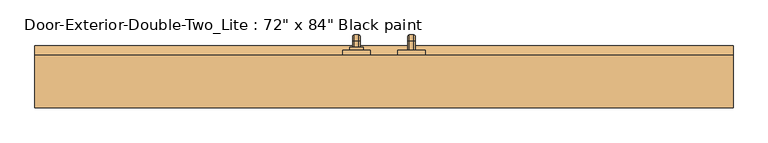
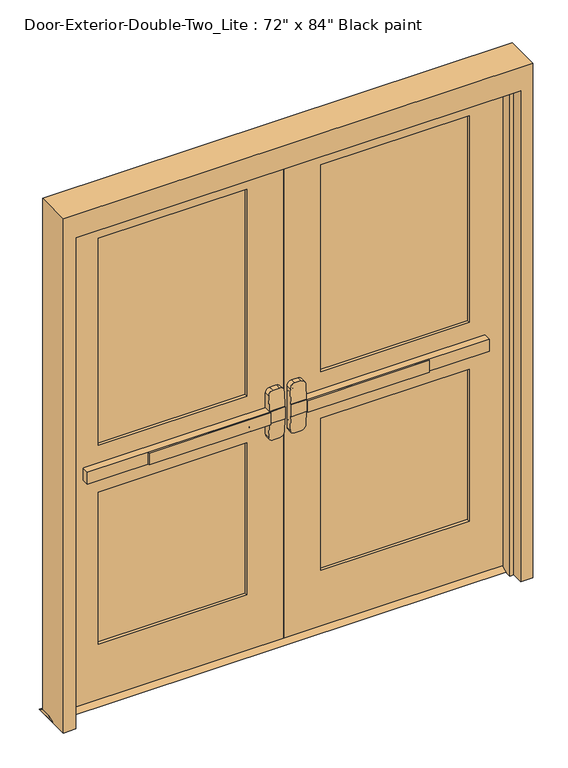
"""IFC4 building model written with IfcOpenShell, lengths in millimetres: door geometry."""

from ifc_helpers import new_model, si_unit, point, frame, frame_2d, origin, place, context, project, spatial, polyline, circle_curve, ellipse_curve, trimmed, segment, composite_curve, outline, extrude, faceted_brep, source, transform, mapped, element, save
from ifc_brep_helpers import plane_surface, cylinder_surface, revolved_surface, advanced_brep


def door_abf726bf(model_context):
    return source(origin(), model_context, "Body", "SolidModel", [
        extrude(outline(polyline([(-575.7333333, 50.8), (-575.7333333, 57.15), (-76.2, 57.15), (-76.2, 50.8), (-575.7333333, 50.8)])), frame((0.0, 0.0, 990.6), z_axis=(0.0, 0.0, 1.0), x_axis=(1.0, 0.0, 0.0)), (0.0, 0.0, 1.0), 50.8),
        advanced_brep(
        [(-12.7, 57.15, 1041.4), (-76.2, 57.15, 1041.4), (-825.5, 57.15, 1041.4), (-825.5, 57.15, 990.6), (-76.2, 57.15, 990.6), (-12.7, 57.15, 990.6), (-825.5, 88.9, 1041.4), (-76.2, 88.9, 1041.4), (-76.2, 88.9, 1104.9), (-57.15, 88.9, 1123.95), (-31.75, 88.9, 1123.95), (-12.7, 88.9, 1104.9), (-12.7, 88.9, 927.1), (-31.75, 88.9, 908.05), (-57.15, 88.9, 908.05), (-76.2, 88.9, 927.1), (-76.2, 88.9, 990.6), (-825.5, 88.9, 990.6), (-12.7, 60.3252467, 1041.4), (-76.2, 60.3252467, 1041.4), (-12.7, 60.3252467, 990.6), (-12.7, 65.3354269, 927.1), (-12.7, 65.3354269, 1104.9), (-76.2, 60.3252467, 990.6), (-76.2, 65.3354269, 1104.9), (-76.2, 65.3354269, 927.1), (-57.15, 66.838481, 1123.95), (-31.75, 66.838481, 1123.95), (-31.75, 66.838481, 908.05), (-57.15, 66.838481, 908.05)],
        [
            (0, 1),
            (1, 2),
            (2, 3),
            (3, 4),
            (4, 5),
            (5, 0),
            (6, 7),
            (7, 8),
            (8, 9, circle_curve(frame((-57.15, 88.9, 1104.9), z_axis=(0.0, 1.0, 0.0), x_axis=(-1.0, 0.0, 0.0)), 19.05)),
            (9, 10),
            (10, 11, circle_curve(frame((-31.75, 88.9, 1104.9), z_axis=(0.0, 1.0, 0.0), x_axis=(-1.0, 0.0, 0.0)), 19.05)),
            (11, 12),
            (12, 13, circle_curve(frame((-31.75, 88.9, 927.1), z_axis=(0.0, 1.0, 0.0), x_axis=(-1.0, 0.0, 0.0)), 19.05)),
            (13, 14),
            (14, 15, circle_curve(frame((-57.15, 88.9, 927.1), z_axis=(0.0, 1.0, 0.0), x_axis=(-1.0, 0.0, 0.0)), 19.05)),
            (15, 16),
            (16, 17),
            (17, 6),
            (0, 18),
            (18, 19),
            (19, 7),
            (6, 2),
            (5, 20),
            (20, 21),
            (21, 12),
            (11, 22),
            (22, 18),
            (16, 23),
            (23, 20),
            (3, 17),
            (19, 24),
            (24, 8),
            (15, 25),
            (25, 23),
            (9, 26),
            (26, 27),
            (27, 10),
            (13, 28),
            (28, 29),
            (29, 14),
            (29, 25, ellipse_curve(frame((-57.15, 65.3354269, 927.1), z_axis=(0.0, 0.9969018152893365, 0.07865602756830282), x_axis=(0.0, -0.07865602756830208, 0.9969018152893365)), 19.1092038, 19.05)),
            (24, 26, ellipse_curve(frame((-57.15, 65.3354269, 1104.9), z_axis=(0.0, 0.9969018152893376, -0.07865602756828934), x_axis=(0.0, -0.078656027568288, -0.9969018152893377)), 19.1092038, 19.05)),
            (27, 22, ellipse_curve(frame((-31.75, 65.3354269, 1104.9), z_axis=(0.0, 0.9969018152893376, -0.07865602756828934), x_axis=(0.0, -0.078656027568288, -0.9969018152893377)), 19.1092038, 19.05)),
            (21, 28, ellipse_curve(frame((-31.75, 65.3354269, 927.1), z_axis=(0.0, 0.9969018152893365, 0.07865602756830282), x_axis=(0.0, -0.07865602756830208, 0.9969018152893365)), 19.1092038, 19.05)),
        ],
        [
            plane_surface(frame((-12.7, 57.15, 1041.4), z_axis=(0.0, -1.0, 0.0), x_axis=(1.0, 0.0, 0.0))),
            plane_surface(frame((-12.7, 88.9, 1041.4), z_axis=(0.0, 1.0, 0.0), x_axis=(-1.0, 0.0, 0.0))),
            plane_surface(frame((-825.5, 57.15, 1041.4), z_axis=(0.0, 0.0, 1.0), x_axis=(0.0, 1.0, 0.0))),
            plane_surface(frame((-12.7, 57.15, 1041.4), z_axis=(1.0, 0.0, 0.0), x_axis=(0.0, 1.0, 0.0))),
            plane_surface(frame((-12.7, 57.15, 990.6), z_axis=(0.0, 0.0, -1.0), x_axis=(0.0, 1.0, 0.0))),
            plane_surface(frame((-825.5, 57.15, 990.6), z_axis=(-1.0, 0.0, 0.0), x_axis=(0.0, 1.0, 0.0))),
            plane_surface(frame((-76.2, 60.3252467, 927.1), z_axis=(-1.0, 0.0, 0.0), x_axis=(0.0, 1.0, 0.0))),
            plane_surface(frame((-57.15, 60.3252467, 1123.95), z_axis=(0.0, 0.0, 1.0), x_axis=(0.0, 1.0, 0.0))),
            plane_surface(frame((-31.75, 60.3252467, 908.05), z_axis=(0.0, 0.0, -1.0), x_axis=(0.0, 1.0, 0.0))),
            cylinder_surface(frame((-57.15, 88.9, 927.1), z_axis=(0.0, -1.0, 0.0), x_axis=(-1.0, 0.0, 0.0)), 19.05),
            cylinder_surface(frame((-57.15, 88.9, 1104.9), z_axis=(0.0, -1.0, 0.0), x_axis=(-1.0, 0.0, 0.0)), 19.05),
            cylinder_surface(frame((-31.75, 88.9, 1104.9), z_axis=(0.0, -1.0, 0.0), x_axis=(-1.0, 0.0, 0.0)), 19.05),
            cylinder_surface(frame((-31.75, 88.9, 927.1), z_axis=(0.0, -1.0, 0.0), x_axis=(-1.0, 0.0, 0.0)), 19.05),
            plane_surface(frame((-76.2, 60.3252467, 1041.4), z_axis=(0.0, -0.9969018152893376, 0.07865602756828934), x_axis=(1.0, 0.0, 0.0))),
            plane_surface(frame((-76.2, 66.838481, 908.05), z_axis=(0.0, -0.9969018152893365, -0.07865602756830282), x_axis=(1.0, 0.0, 0.0))),
        ],
        [
            (0, [[1, 2, 3, 4, 5, 6]]),
            (1, [[7, 8, 9, 10, 11, 12, 13, 14, 15, 16, 17, 18]]),
            (2, [[-2, -1, 19, 20, 21, -7, 22]]),
            (3, [[23, 24, 25, -12, 26, 27, -19, -6]]),
            (4, [[-17, 28, 29, -23, -5, -4, 30]]),
            (5, [[-22, -18, -30, -3]]),
            (6, [[-21, 31, 32, -8]]),
            (6, [[33, 34, -28, -16]]),
            (7, [[35, 36, 37, -10]]),
            (8, [[38, 39, 40, -14]]),
            (9, [[-40, 41, -33, -15]]),
            (10, [[-32, 42, -35, -9]]),
            (11, [[-37, 43, -26, -11]]),
            (12, [[-25, 44, -38, -13]]),
            (13, [[-27, -43, -36, -42, -31, -20]]),
            (14, [[-29, -34, -41, -39, -44, -24]]),
        ],
    ),
        extrude(outline(polyline([(133.35, 12.7), (158.75, 0.0), (63.5, 0.0), (88.9, 12.7), (133.35, 12.7)])), frame((-965.2, 0.0, 0.0), z_axis=(1.0, 0.0, 0.0), x_axis=(0.0, 1.0, 0.0)), (0.0, 0.0, 1.0), 1930.4),
        extrude(outline(polyline([(575.7333333, 50.8), (76.2, 50.8), (76.2, 57.15), (575.7333333, 57.15), (575.7333333, 50.8)])), frame((0.0, 0.0, 990.6), z_axis=(0.0, 0.0, 1.0), x_axis=(1.0, 0.0, 0.0)), (0.0, 0.0, 1.0), 50.8),
        advanced_brep(
        [(12.7, 57.15, 1041.4), (12.7, 57.15, 990.6), (76.2, 57.15, 990.6), (825.5, 57.15, 990.6), (825.5, 57.15, 1041.4), (76.2, 57.15, 1041.4), (825.5, 88.9, 1041.4), (825.5, 88.9, 990.6), (76.2, 88.9, 990.6), (76.2, 88.9, 927.1), (57.15, 88.9, 908.05), (31.75, 88.9, 908.05), (12.7, 88.9, 927.1), (12.7, 88.9, 1104.9), (31.75, 88.9, 1123.95), (57.15, 88.9, 1123.95), (76.2, 88.9, 1104.9), (76.2, 88.9, 1041.4), (76.2, 60.3252467, 1041.4), (12.7, 60.3252467, 1041.4), (12.7, 65.3354269, 1104.9), (12.7, 65.3354269, 927.1), (12.7, 60.3252467, 990.6), (76.2, 60.3252467, 990.6), (76.2, 65.3354269, 927.1), (76.2, 65.3354269, 1104.9), (31.75, 66.838481, 1123.95), (57.15, 66.838481, 1123.95), (57.15, 66.838481, 908.05), (31.75, 66.838481, 908.05)],
        [
            (0, 1),
            (1, 2),
            (2, 3),
            (3, 4),
            (4, 5),
            (5, 0),
            (6, 7),
            (7, 8),
            (8, 9),
            (9, 10, circle_curve(frame((57.15, 88.9, 927.1), z_axis=(0.0, 1.0, 0.0), x_axis=(1.0, 0.0, 0.0)), 19.05)),
            (10, 11),
            (11, 12, circle_curve(frame((31.75, 88.9, 927.1), z_axis=(0.0, 1.0, 0.0), x_axis=(1.0, 0.0, 0.0)), 19.05)),
            (12, 13),
            (13, 14, circle_curve(frame((31.75, 88.9, 1104.9), z_axis=(0.0, 1.0, 0.0), x_axis=(1.0, 0.0, 0.0)), 19.05)),
            (14, 15),
            (15, 16, circle_curve(frame((57.15, 88.9, 1104.9), z_axis=(0.0, 1.0, 0.0), x_axis=(1.0, 0.0, 0.0)), 19.05)),
            (16, 17),
            (17, 6),
            (4, 6),
            (17, 18),
            (18, 19),
            (19, 0),
            (19, 20),
            (20, 13),
            (12, 21),
            (21, 22),
            (22, 1),
            (7, 3),
            (22, 23),
            (23, 8),
            (23, 24),
            (24, 9),
            (16, 25),
            (25, 18),
            (14, 26),
            (26, 27),
            (27, 15),
            (10, 28),
            (28, 29),
            (29, 11),
            (24, 28, ellipse_curve(frame((57.15, 65.3354269, 927.1), z_axis=(0.0, 0.9969018152893365, 0.07865602756830282), x_axis=(0.0, -0.07865602756830208, 0.9969018152893365)), 19.1092038, 19.05)),
            (27, 25, ellipse_curve(frame((57.15, 65.3354269, 1104.9), z_axis=(0.0, 0.9969018152893376, -0.07865602756828934), x_axis=(0.0, -0.078656027568288, -0.9969018152893377)), 19.1092038, 19.05)),
            (20, 26, ellipse_curve(frame((31.75, 65.3354269, 1104.9), z_axis=(0.0, 0.9969018152893376, -0.07865602756828934), x_axis=(0.0, -0.078656027568288, -0.9969018152893377)), 19.1092038, 19.05)),
            (29, 21, ellipse_curve(frame((31.75, 65.3354269, 927.1), z_axis=(0.0, 0.9969018152893365, 0.07865602756830282), x_axis=(0.0, -0.07865602756830208, 0.9969018152893365)), 19.1092038, 19.05)),
        ],
        [
            plane_surface(frame((12.7, 57.15, 1041.4), z_axis=(0.0, -1.0, 0.0), x_axis=(-1.0, 0.0, 0.0))),
            plane_surface(frame((12.7, 88.9, 1041.4), z_axis=(0.0, 1.0, 0.0), x_axis=(1.0, 0.0, 0.0))),
            plane_surface(frame((825.5, 57.15, 1041.4), z_axis=(0.0, 0.0, 1.0), x_axis=(0.0, 1.0, 0.0))),
            plane_surface(frame((12.7, 57.15, 1041.4), z_axis=(-1.0, 0.0, 0.0), x_axis=(0.0, 1.0, 0.0))),
            plane_surface(frame((12.7, 57.15, 990.6), z_axis=(0.0, 0.0, -1.0), x_axis=(0.0, 1.0, 0.0))),
            plane_surface(frame((825.5, 57.15, 990.6), z_axis=(1.0, 0.0, 0.0), x_axis=(0.0, 1.0, 0.0))),
            plane_surface(frame((76.2, 60.3252467, 927.1), z_axis=(1.0, 0.0, 0.0), x_axis=(0.0, 1.0, 0.0))),
            plane_surface(frame((57.15, 60.3252467, 1123.95), z_axis=(0.0, 0.0, 1.0), x_axis=(0.0, 1.0, 0.0))),
            plane_surface(frame((31.75, 60.3252467, 908.05), z_axis=(0.0, 0.0, -1.0), x_axis=(0.0, 1.0, 0.0))),
            cylinder_surface(frame((57.15, 88.9, 927.1), z_axis=(0.0, -1.0, 0.0), x_axis=(1.0, 0.0, 0.0)), 19.05),
            cylinder_surface(frame((57.15, 88.9, 1104.9), z_axis=(0.0, -1.0, 0.0), x_axis=(1.0, 0.0, 0.0)), 19.05),
            cylinder_surface(frame((31.75, 88.9, 1104.9), z_axis=(0.0, -1.0, 0.0), x_axis=(1.0, 0.0, 0.0)), 19.05),
            cylinder_surface(frame((31.75, 88.9, 927.1), z_axis=(0.0, -1.0, 0.0), x_axis=(1.0, 0.0, 0.0)), 19.05),
            plane_surface(frame((76.2, 60.3252467, 1041.4), z_axis=(0.0, -0.9969018152893376, 0.07865602756828934), x_axis=(-1.0, 0.0, 0.0))),
            plane_surface(frame((76.2, 66.838481, 908.05), z_axis=(0.0, -0.9969018152893365, -0.07865602756830282), x_axis=(-1.0, 0.0, 0.0))),
        ],
        [
            (0, [[1, 2, 3, 4, 5, 6]]),
            (1, [[7, 8, 9, 10, 11, 12, 13, 14, 15, 16, 17, 18]]),
            (2, [[19, -18, 20, 21, 22, -6, -5]]),
            (3, [[-1, -22, 23, 24, -13, 25, 26, 27]]),
            (4, [[28, -3, -2, -27, 29, 30, -8]]),
            (5, [[-4, -28, -7, -19]]),
            (6, [[-9, -30, 31, 32]]),
            (6, [[-17, 33, 34, -20]]),
            (7, [[-15, 35, 36, 37]]),
            (8, [[-11, 38, 39, 40]]),
            (9, [[-10, -32, 41, -38]]),
            (10, [[-16, -37, 42, -33]]),
            (11, [[-14, -24, 43, -35]]),
            (12, [[-12, -40, 44, -25]]),
            (13, [[-21, -34, -42, -36, -43, -23]]),
            (14, [[-26, -44, -39, -41, -31, -29]]),
        ],
    ),
        advanced_brep(
        [(66.2, 146.05, 1017.190625), (66.2, 146.05, 1014.809375), (69.771875, 146.05, 1011.2375), (82.6284594, 146.05, 1011.2375), (86.2, 146.05, 1014.8090406), (86.2, 146.05, 1017.190625), (82.628125, 146.05, 1020.7625), (69.771875, 146.05, 1020.7625), (66.2, 146.05, 887.809375), (69.771875, 146.05, 884.2375), (82.628125, 146.05, 884.2375), (86.2, 146.05, 887.809375), (86.2, 146.05, 890.1909594), (82.6284594, 146.05, 893.7625), (69.771875, 146.05, 893.7625), (66.2, 146.05, 890.190625), (66.2, 171.45, 1017.190625), (66.2, 185.340625, 1003.3), (66.2, 185.340625, 901.7), (66.2, 171.45, 887.809375), (66.2, 171.45, 890.190625), (66.2, 182.959375, 901.7), (66.2, 182.959375, 1003.3), (66.2, 171.45, 1014.809375), (69.771875, 171.45, 1011.2375), (82.6284594, 171.45, 1011.2375), (86.2, 171.45, 1014.8090406), (86.2, 182.9590406, 1003.3), (86.2, 182.9590406, 901.7), (86.2, 171.45, 890.1909594), (86.2, 171.45, 887.809375), (86.2, 185.340625, 901.7), (86.2, 185.340625, 1003.3), (86.2, 171.45, 1017.190625), (82.628125, 171.45, 1020.7625), (69.771875, 171.45, 1020.7625), (69.771875, 179.3875, 1003.3), (82.6284594, 179.3875, 1003.3), (82.628125, 188.9125, 1003.3), (69.771875, 188.9125, 1003.3), (69.771875, 179.3875, 901.7), (82.6284594, 179.3875, 901.7), (82.628125, 188.9125, 901.7), (69.771875, 188.9125, 901.7), (69.771875, 171.45, 893.7625), (82.6284594, 171.45, 893.7625), (82.628125, 171.45, 884.2375), (69.771875, 171.45, 884.2375)],
        [
            (0, 1),
            (1, 2, circle_curve(frame((69.771875, 146.05, 1014.809375), z_axis=(0.0, -1.0, 0.0), x_axis=(0.0, 0.0, 1.0)), 3.571875)),
            (2, 3),
            (3, 4, circle_curve(frame((82.6284594, 146.05, 1014.8090406), z_axis=(0.0, -1.0, 0.0), x_axis=(0.0, 0.0, 1.0)), 3.5715406)),
            (4, 5),
            (5, 6, circle_curve(frame((82.628125, 146.05, 1017.190625), z_axis=(0.0, -1.0, 0.0), x_axis=(0.0, 0.0, 1.0)), 3.571875)),
            (6, 7),
            (7, 0, circle_curve(frame((69.771875, 146.05, 1017.190625), z_axis=(0.0, -1.0, 0.0), x_axis=(0.0, 0.0, 1.0)), 3.571875)),
            (8, 9, circle_curve(frame((69.771875, 146.05, 887.809375), z_axis=(0.0, -1.0, 0.0), x_axis=(0.0, 0.0, -1.0)), 3.571875)),
            (9, 10),
            (10, 11, circle_curve(frame((82.628125, 146.05, 887.809375), z_axis=(0.0, -1.0, 0.0), x_axis=(0.0, 0.0, -1.0)), 3.571875)),
            (11, 12),
            (12, 13, circle_curve(frame((82.6284594, 146.05, 890.1909594), z_axis=(0.0, -1.0, 0.0), x_axis=(0.0, 0.0, -1.0)), 3.5715406)),
            (13, 14),
            (14, 15, circle_curve(frame((69.771875, 146.05, 890.190625), z_axis=(0.0, -1.0, 0.0), x_axis=(0.0, 0.0, -1.0)), 3.571875)),
            (15, 8),
            (0, 16),
            (16, 17, circle_curve(frame((66.2, 171.45, 1003.3), z_axis=(-1.0, 0.0, 0.0), x_axis=(0.0, 0.0, 1.0)), 13.890625)),
            (17, 18),
            (18, 19, circle_curve(frame((66.2, 171.45, 901.7), z_axis=(-1.0, 0.0, 0.0), x_axis=(0.0, 1.0, 0.0)), 13.890625)),
            (19, 8),
            (15, 20),
            (20, 21, circle_curve(frame((66.2, 171.45, 901.7), z_axis=(1.0, 0.0, 0.0), x_axis=(0.0, 1.0, 0.0)), 11.509375)),
            (21, 22),
            (22, 23, circle_curve(frame((66.2, 171.45, 1003.3), z_axis=(1.0, 0.0, 0.0), x_axis=(0.0, 0.0, 1.0)), 11.509375)),
            (23, 1),
            (23, 24, circle_curve(frame((69.771875, 171.45, 1014.809375), z_axis=(0.0, -1.0, 0.0), x_axis=(0.0, 0.0, 1.0)), 3.571875)),
            (24, 2),
            (24, 25),
            (25, 3),
            (25, 26, circle_curve(frame((82.6284594, 171.45, 1014.8090406), z_axis=(0.0, -1.0, 0.0), x_axis=(0.0, 0.0, 1.0)), 3.5715406)),
            (26, 4),
            (26, 27, circle_curve(frame((86.2, 171.45, 1003.3), z_axis=(-1.0, 0.0, 0.0), x_axis=(0.0, 0.0, 1.0)), 11.5090406)),
            (27, 28),
            (28, 29, circle_curve(frame((86.2, 171.45, 901.7), z_axis=(-1.0, 0.0, 0.0), x_axis=(0.0, 1.0, 0.0)), 11.5090406)),
            (29, 12),
            (11, 30),
            (30, 31, circle_curve(frame((86.2, 171.45, 901.7), z_axis=(1.0, 0.0, 0.0), x_axis=(0.0, 1.0, 0.0)), 13.890625)),
            (31, 32),
            (32, 33, circle_curve(frame((86.2, 171.45, 1003.3), z_axis=(1.0, 0.0, 0.0), x_axis=(0.0, 0.0, 1.0)), 13.890625)),
            (33, 5),
            (33, 34, circle_curve(frame((82.628125, 171.45, 1017.190625), z_axis=(0.0, -1.0, 0.0), x_axis=(0.0, 0.0, 1.0)), 3.571875)),
            (34, 6),
            (34, 35),
            (35, 7),
            (35, 16, circle_curve(frame((69.771875, 171.45, 1017.190625), z_axis=(0.0, -1.0, 0.0), x_axis=(0.0, 0.0, 1.0)), 3.571875)),
            (36, 24, circle_curve(frame((69.771875, 171.45, 1003.3), z_axis=(1.0, 0.0, 0.0), x_axis=(0.0, 0.0, 1.0)), 7.9375)),
            (22, 36, circle_curve(frame((69.771875, 182.959375, 1003.3), z_axis=(0.0, 0.0, 1.0), x_axis=(0.0, 1.0, 0.0)), 3.571875)),
            (37, 25, circle_curve(frame((82.6284594, 171.45, 1003.3), z_axis=(1.0, 0.0, 0.0), x_axis=(0.0, 0.0, 1.0)), 7.9375)),
            (36, 37),
            (37, 27, circle_curve(frame((82.6284594, 182.9590406, 1003.3), z_axis=(0.0, 0.0, 1.0), x_axis=(0.0, 1.0, 0.0)), 3.5715406)),
            (38, 34, circle_curve(frame((82.628125, 171.45, 1003.3), z_axis=(1.0, 0.0, 0.0), x_axis=(0.0, 0.0, 1.0)), 17.4625)),
            (32, 38, circle_curve(frame((82.628125, 185.340625, 1003.3), z_axis=(0.0, 0.0, 1.0), x_axis=(0.0, 1.0, 0.0)), 3.571875)),
            (39, 35, circle_curve(frame((69.771875, 171.45, 1003.3), z_axis=(1.0, 0.0, 0.0), x_axis=(0.0, 0.0, 1.0)), 17.4625)),
            (38, 39),
            (39, 17, circle_curve(frame((69.771875, 185.340625, 1003.3), z_axis=(0.0, 0.0, 1.0), x_axis=(0.0, 1.0, 0.0)), 3.571875)),
            (21, 40, circle_curve(frame((69.771875, 182.959375, 901.7), z_axis=(0.0, 0.0, 1.0), x_axis=(0.0, 1.0, 0.0)), 3.571875)),
            (40, 36),
            (40, 41),
            (41, 37),
            (41, 28, circle_curve(frame((82.6284594, 182.9590406, 901.7), z_axis=(0.0, 0.0, 1.0), x_axis=(0.0, 1.0, 0.0)), 3.5715406)),
            (31, 42, circle_curve(frame((82.628125, 185.340625, 901.7), z_axis=(0.0, 0.0, 1.0), x_axis=(0.0, 1.0, 0.0)), 3.571875)),
            (42, 38),
            (42, 43),
            (43, 39),
            (43, 18, circle_curve(frame((69.771875, 185.340625, 901.7), z_axis=(0.0, 0.0, 1.0), x_axis=(0.0, 1.0, 0.0)), 3.571875)),
            (44, 40, circle_curve(frame((69.771875, 171.45, 901.7), z_axis=(1.0, 0.0, 0.0), x_axis=(0.0, 1.0, 0.0)), 7.9375)),
            (20, 44, circle_curve(frame((69.771875, 171.45, 890.190625), z_axis=(0.0, 1.0, 0.0), x_axis=(0.0, 0.0, -1.0)), 3.571875)),
            (45, 41, circle_curve(frame((82.6284594, 171.45, 901.7), z_axis=(1.0, 0.0, 0.0), x_axis=(0.0, 1.0, 0.0)), 7.9375)),
            (44, 45),
            (45, 29, circle_curve(frame((82.6284594, 171.45, 890.1909594), z_axis=(0.0, 1.0, 0.0), x_axis=(0.0, 0.0, -1.0)), 3.5715406)),
            (46, 42, circle_curve(frame((82.628125, 171.45, 901.7), z_axis=(1.0, 0.0, 0.0), x_axis=(0.0, 1.0, 0.0)), 17.4625)),
            (30, 46, circle_curve(frame((82.628125, 171.45, 887.809375), z_axis=(0.0, 1.0, 0.0), x_axis=(0.0, 0.0, -1.0)), 3.571875)),
            (47, 43, circle_curve(frame((69.771875, 171.45, 901.7), z_axis=(1.0, 0.0, 0.0), x_axis=(0.0, 1.0, 0.0)), 17.4625)),
            (46, 47),
            (47, 19, circle_curve(frame((69.771875, 171.45, 887.809375), z_axis=(0.0, 1.0, 0.0), x_axis=(0.0, 0.0, -1.0)), 3.571875)),
            (14, 44),
            (13, 45),
            (10, 46),
            (9, 47),
        ],
        [
            plane_surface(frame((76.2, 146.05, 1016.0), z_axis=(0.0, -1.0, 0.0), x_axis=(1.0, 0.0, 0.0))),
            plane_surface(frame((76.2, 146.05, 889.0), z_axis=(0.0, -1.0, 0.0), x_axis=(1.0, 0.0, 0.0))),
            plane_surface(frame((66.2, 146.05, 1017.190625), z_axis=(-1.0, 0.0, 0.0), x_axis=(0.0, 1.0, 0.0))),
            cylinder_surface(frame((69.771875, 146.05, 1014.809375), z_axis=(0.0, -1.0, 0.0), x_axis=(0.0, 0.0, 1.0)), 3.571875),
            plane_surface(frame((69.771875, 146.05, 1011.2375), z_axis=(0.0, 0.0, -1.0), x_axis=(0.0, 1.0, 0.0))),
            cylinder_surface(frame((82.6284594, 146.05, 1014.8090406), z_axis=(0.0, -1.0, 0.0), x_axis=(0.0, 0.0, 1.0)), 3.5715406),
            plane_surface(frame((86.2, 146.05, 1014.8090406), z_axis=(1.0, 0.0, 0.0), x_axis=(0.0, 1.0, 0.0))),
            cylinder_surface(frame((82.628125, 146.05, 1017.190625), z_axis=(0.0, -1.0, 0.0), x_axis=(0.0, 0.0, 1.0)), 3.571875),
            plane_surface(frame((82.628125, 146.05, 1020.7625), z_axis=(0.0, 0.0, 1.0), x_axis=(0.0, 1.0, 0.0))),
            cylinder_surface(frame((69.771875, 146.05, 1017.190625), z_axis=(0.0, -1.0, 0.0), x_axis=(0.0, 0.0, 1.0)), 3.571875),
            revolved_surface(trimmed(ellipse_curve(frame((69.771875, 171.45, 1014.809375), z_axis=(0.0, -1.0, 0.0), x_axis=(0.0, 0.0, 1.0)), 3.571875, 3.571875), [point((66.2, 171.45, 1014.809375))], [point((69.771875, 171.45, 1011.2375))], True, "CARTESIAN"), (76.2, 171.45, 1003.3), (-1.0, 0.0, 0.0)),
            revolved_surface(polyline([(69.771875, 171.45, 1011.2375), (82.6284594, 171.45, 1011.2375)]), (76.2, 171.45, 1003.3), (-1.0, 0.0, 0.0)),
            revolved_surface(trimmed(ellipse_curve(frame((82.6284594, 171.45, 1014.8090406), z_axis=(0.0, -1.0, 0.0), x_axis=(0.0, 0.0, 1.0)), 3.5715406, 3.5715406), [point((82.6284594, 171.45, 1011.2375))], [point((86.2, 171.45, 1014.8090406))], True, "CARTESIAN"), (76.2, 171.45, 1003.3), (-1.0, 0.0, 0.0)),
            revolved_surface(trimmed(ellipse_curve(frame((82.628125, 171.45, 1017.190625), z_axis=(0.0, -1.0, 0.0), x_axis=(0.0, 0.0, 1.0)), 3.571875, 3.571875), [point((86.2, 171.45, 1017.190625))], [point((82.628125, 171.45, 1020.7625))], True, "CARTESIAN"), (76.2, 171.45, 1003.3), (-1.0, 0.0, 0.0)),
            cylinder_surface(frame((76.2, 171.45, 1003.3), z_axis=(-1.0, 0.0, 0.0), x_axis=(0.0, 0.0, 1.0)), 17.4625),
            revolved_surface(trimmed(ellipse_curve(frame((69.771875, 171.45, 1017.190625), z_axis=(0.0, -1.0, 0.0), x_axis=(0.0, 0.0, 1.0)), 3.571875, 3.571875), [point((69.771875, 171.45, 1020.7625))], [point((66.2, 171.45, 1017.190625))], True, "CARTESIAN"), (76.2, 171.45, 1003.3), (-1.0, 0.0, 0.0)),
            cylinder_surface(frame((69.771875, 182.959375, 1003.3), z_axis=(0.0, 0.0, 1.0), x_axis=(0.0, 1.0, 0.0)), 3.571875),
            plane_surface(frame((69.771875, 179.3875, 1003.3), z_axis=(0.0, -1.0, 0.0), x_axis=(0.0, 0.0, -1.0))),
            cylinder_surface(frame((82.6284594, 182.9590406, 1003.3), z_axis=(0.0, 0.0, 1.0), x_axis=(0.0, 1.0, 0.0)), 3.5715406),
            cylinder_surface(frame((82.628125, 185.340625, 1003.3), z_axis=(0.0, 0.0, 1.0), x_axis=(0.0, 1.0, 0.0)), 3.571875),
            plane_surface(frame((82.628125, 188.9125, 1003.3), z_axis=(0.0, 1.0, 0.0), x_axis=(0.0, 0.0, -1.0))),
            cylinder_surface(frame((69.771875, 185.340625, 1003.3), z_axis=(0.0, 0.0, 1.0), x_axis=(0.0, 1.0, 0.0)), 3.571875),
            revolved_surface(trimmed(ellipse_curve(frame((69.771875, 182.959375, 901.7), z_axis=(0.0, 0.0, 1.0), x_axis=(0.0, 1.0, 0.0)), 3.571875, 3.571875), [point((66.2, 182.959375, 901.7))], [point((69.771875, 179.3875, 901.7))], True, "CARTESIAN"), (76.2, 171.45, 901.7), (-1.0, 0.0, 0.0)),
            revolved_surface(polyline([(69.771875, 179.3875, 901.7), (82.6284594, 179.3875, 901.7)]), (76.2, 171.45, 901.7), (-1.0, 0.0, 0.0)),
            revolved_surface(trimmed(ellipse_curve(frame((82.6284594, 182.9590406, 901.7), z_axis=(0.0, 0.0, 1.0), x_axis=(0.0, 1.0, 0.0)), 3.5715406, 3.5715406), [point((82.6284594, 179.3875, 901.7))], [point((86.2, 182.9590406, 901.7))], True, "CARTESIAN"), (76.2, 171.45, 901.7), (-1.0, 0.0, 0.0)),
            revolved_surface(trimmed(ellipse_curve(frame((82.628125, 185.340625, 901.7), z_axis=(0.0, 0.0, 1.0), x_axis=(0.0, 1.0, 0.0)), 3.571875, 3.571875), [point((86.2, 185.340625, 901.7))], [point((82.628125, 188.9125, 901.7))], True, "CARTESIAN"), (76.2, 171.45, 901.7), (-1.0, 0.0, 0.0)),
            cylinder_surface(frame((76.2, 171.45, 901.7), z_axis=(-1.0, 0.0, 0.0), x_axis=(0.0, 1.0, 0.0)), 17.4625),
            revolved_surface(trimmed(ellipse_curve(frame((69.771875, 185.340625, 901.7), z_axis=(0.0, 0.0, 1.0), x_axis=(0.0, 1.0, 0.0)), 3.571875, 3.571875), [point((69.771875, 188.9125, 901.7))], [point((66.2, 185.340625, 901.7))], True, "CARTESIAN"), (76.2, 171.45, 901.7), (-1.0, 0.0, 0.0)),
            cylinder_surface(frame((69.771875, 171.45, 890.190625), z_axis=(0.0, 1.0, 0.0), x_axis=(0.0, 0.0, -1.0)), 3.571875),
            plane_surface(frame((69.771875, 171.45, 893.7625), z_axis=(0.0, 0.0, 1.0), x_axis=(0.0, -1.0, 0.0))),
            cylinder_surface(frame((82.6284594, 171.45, 890.1909594), z_axis=(0.0, 1.0, 0.0), x_axis=(0.0, 0.0, -1.0)), 3.5715406),
            cylinder_surface(frame((82.628125, 171.45, 887.809375), z_axis=(0.0, 1.0, 0.0), x_axis=(0.0, 0.0, -1.0)), 3.571875),
            plane_surface(frame((82.628125, 171.45, 884.2375), z_axis=(0.0, 0.0, -1.0), x_axis=(0.0, -1.0, 0.0))),
            cylinder_surface(frame((69.771875, 171.45, 887.809375), z_axis=(0.0, 1.0, 0.0), x_axis=(0.0, 0.0, -1.0)), 3.571875),
        ],
        [
            (0, [[1, 2, 3, 4, 5, 6, 7, 8]]),
            (1, [[9, 10, 11, 12, 13, 14, 15, 16]]),
            (2, [[-1, 17, 18, 19, 20, 21, -16, 22, 23, 24, 25, 26]]),
            (3, [[-2, -26, 27, 28]]),
            (4, [[-3, -28, 29, 30]]),
            (5, [[-4, -30, 31, 32]]),
            (6, [[-5, -32, 33, 34, 35, 36, -12, 37, 38, 39, 40, 41]]),
            (7, [[-6, -41, 42, 43]]),
            (8, [[-7, -43, 44, 45]]),
            (9, [[-8, -45, 46, -17]]),
            (10, [[47, -27, -25, 48]]),
            (11, [[49, -29, -47, 50]]),
            (12, [[-33, -31, -49, 51]]),
            (13, [[52, -42, -40, 53]]),
            (14, [[54, -44, -52, 55]]),
            (15, [[-18, -46, -54, 56]]),
            (16, [[-48, -24, 57, 58]]),
            (17, [[-50, -58, 59, 60]]),
            (18, [[-51, -60, 61, -34]]),
            (19, [[-53, -39, 62, 63]]),
            (20, [[-55, -63, 64, 65]]),
            (21, [[-56, -65, 66, -19]]),
            (22, [[67, -57, -23, 68]]),
            (23, [[69, -59, -67, 70]]),
            (24, [[-35, -61, -69, 71]]),
            (25, [[72, -62, -38, 73]]),
            (26, [[74, -64, -72, 75]]),
            (27, [[-20, -66, -74, 76]]),
            (28, [[-68, -22, -15, 77]]),
            (29, [[-70, -77, -14, 78]]),
            (30, [[-71, -78, -13, -36]]),
            (31, [[-73, -37, -11, 79]]),
            (32, [[-75, -79, -10, 80]]),
            (33, [[-76, -80, -9, -21]]),
        ],
    ),
        extrude(outline(composite_curve([segment(trimmed(circle_curve(frame_2d((1113.0338574, 76.2)), 89.3016225), [point((1193.8, 114.3))], [point((1193.8, 38.1))], False, "CARTESIAN"), True, "CONTINUOUS"), segment(polyline([(1193.8, 38.1), (838.2, 38.1)]), True, "CONTINUOUS"), segment(trimmed(circle_curve(frame_2d((918.9661426, 76.2)), 89.3016225), [point((838.2, 38.1))], [point((838.2, 114.3))], False, "CARTESIAN"), True, "CONTINUOUS"), segment(polyline([(838.2, 114.3), (1193.8, 114.3)]), True, "CONTINUOUS")], self_intersect=False)), frame((0.0, 133.35, 0.0), z_axis=(0.0, 1.0, 0.0), x_axis=(0.0, 0.0, 1.0)), (0.0, 0.0, 1.0), 12.7),
        advanced_brep(
        [(-86.2, 146.05, 1017.190625), (-86.2, 146.05, 1014.809375), (-82.628125, 146.05, 1011.2375), (-69.7715406, 146.05, 1011.2375), (-66.2, 146.05, 1014.8090406), (-66.2, 146.05, 1017.190625), (-69.771875, 146.05, 1020.7625), (-82.628125, 146.05, 1020.7625), (-86.2, 146.05, 887.809375), (-82.628125, 146.05, 884.2375), (-69.771875, 146.05, 884.2375), (-66.2, 146.05, 887.809375), (-66.2, 146.05, 890.1909594), (-69.7715406, 146.05, 893.7625), (-82.628125, 146.05, 893.7625), (-86.2, 146.05, 890.190625), (-86.2, 171.45, 1017.190625), (-86.2, 185.340625, 1003.3), (-86.2, 185.340625, 901.7), (-86.2, 171.45, 887.809375), (-86.2, 171.45, 890.190625), (-86.2, 182.959375, 901.7), (-86.2, 182.959375, 1003.3), (-86.2, 171.45, 1014.809375), (-82.628125, 171.45, 1011.2375), (-69.7715406, 171.45, 1011.2375), (-66.2, 171.45, 1014.8090406), (-66.2, 182.9590406, 1003.3), (-66.2, 182.9590406, 901.7), (-66.2, 171.45, 890.1909594), (-66.2, 171.45, 887.809375), (-66.2, 185.340625, 901.7), (-66.2, 185.340625, 1003.3), (-66.2, 171.45, 1017.190625), (-69.771875, 171.45, 1020.7625), (-82.628125, 171.45, 1020.7625), (-82.628125, 179.3875, 1003.3), (-69.7715406, 179.3875, 1003.3), (-69.771875, 188.9125, 1003.3), (-82.628125, 188.9125, 1003.3), (-82.628125, 179.3875, 901.7), (-69.7715406, 179.3875, 901.7), (-69.771875, 188.9125, 901.7), (-82.628125, 188.9125, 901.7), (-82.628125, 171.45, 893.7625), (-69.7715406, 171.45, 893.7625), (-69.771875, 171.45, 884.2375), (-82.628125, 171.45, 884.2375)],
        [
            (0, 1),
            (1, 2, circle_curve(frame((-82.628125, 146.05, 1014.809375), z_axis=(0.0, -1.0, 0.0), x_axis=(0.0, 0.0, 1.0)), 3.571875)),
            (2, 3),
            (3, 4, circle_curve(frame((-69.7715406, 146.05, 1014.8090406), z_axis=(0.0, -1.0, 0.0), x_axis=(0.0, 0.0, 1.0)), 3.5715406)),
            (4, 5),
            (5, 6, circle_curve(frame((-69.771875, 146.05, 1017.190625), z_axis=(0.0, -1.0, 0.0), x_axis=(0.0, 0.0, 1.0)), 3.571875)),
            (6, 7),
            (7, 0, circle_curve(frame((-82.628125, 146.05, 1017.190625), z_axis=(0.0, -1.0, 0.0), x_axis=(0.0, 0.0, 1.0)), 3.571875)),
            (8, 9, circle_curve(frame((-82.628125, 146.05, 887.809375), z_axis=(0.0, -1.0, 0.0), x_axis=(0.0, 0.0, -1.0)), 3.571875)),
            (9, 10),
            (10, 11, circle_curve(frame((-69.771875, 146.05, 887.809375), z_axis=(0.0, -1.0, 0.0), x_axis=(0.0, 0.0, -1.0)), 3.571875)),
            (11, 12),
            (12, 13, circle_curve(frame((-69.7715406, 146.05, 890.1909594), z_axis=(0.0, -1.0, 0.0), x_axis=(0.0, 0.0, -1.0)), 3.5715406)),
            (13, 14),
            (14, 15, circle_curve(frame((-82.628125, 146.05, 890.190625), z_axis=(0.0, -1.0, 0.0), x_axis=(0.0, 0.0, -1.0)), 3.571875)),
            (15, 8),
            (0, 16),
            (16, 17, circle_curve(frame((-86.2, 171.45, 1003.3), z_axis=(-1.0, 0.0, 0.0), x_axis=(0.0, 0.0, 1.0)), 13.890625)),
            (17, 18),
            (18, 19, circle_curve(frame((-86.2, 171.45, 901.7), z_axis=(-1.0, 0.0, 0.0), x_axis=(0.0, 1.0, 0.0)), 13.890625)),
            (19, 8),
            (15, 20),
            (20, 21, circle_curve(frame((-86.2, 171.45, 901.7), z_axis=(1.0, 0.0, 0.0), x_axis=(0.0, 1.0, 0.0)), 11.509375)),
            (21, 22),
            (22, 23, circle_curve(frame((-86.2, 171.45, 1003.3), z_axis=(1.0, 0.0, 0.0), x_axis=(0.0, 0.0, 1.0)), 11.509375)),
            (23, 1),
            (23, 24, circle_curve(frame((-82.628125, 171.45, 1014.809375), z_axis=(0.0, -1.0, 0.0), x_axis=(0.0, 0.0, 1.0)), 3.571875)),
            (24, 2),
            (24, 25),
            (25, 3),
            (25, 26, circle_curve(frame((-69.7715406, 171.45, 1014.8090406), z_axis=(0.0, -1.0, 0.0), x_axis=(0.0, 0.0, 1.0)), 3.5715406)),
            (26, 4),
            (26, 27, circle_curve(frame((-66.2, 171.45, 1003.3), z_axis=(-1.0, 0.0, 0.0), x_axis=(0.0, 0.0, 1.0)), 11.5090406)),
            (27, 28),
            (28, 29, circle_curve(frame((-66.2, 171.45, 901.7), z_axis=(-1.0, 0.0, 0.0), x_axis=(0.0, 1.0, 0.0)), 11.5090406)),
            (29, 12),
            (11, 30),
            (30, 31, circle_curve(frame((-66.2, 171.45, 901.7), z_axis=(1.0, 0.0, 0.0), x_axis=(0.0, 1.0, 0.0)), 13.890625)),
            (31, 32),
            (32, 33, circle_curve(frame((-66.2, 171.45, 1003.3), z_axis=(1.0, 0.0, 0.0), x_axis=(0.0, 0.0, 1.0)), 13.890625)),
            (33, 5),
            (33, 34, circle_curve(frame((-69.771875, 171.45, 1017.190625), z_axis=(0.0, -1.0, 0.0), x_axis=(0.0, 0.0, 1.0)), 3.571875)),
            (34, 6),
            (34, 35),
            (35, 7),
            (35, 16, circle_curve(frame((-82.628125, 171.45, 1017.190625), z_axis=(0.0, -1.0, 0.0), x_axis=(0.0, 0.0, 1.0)), 3.571875)),
            (36, 24, circle_curve(frame((-82.628125, 171.45, 1003.3), z_axis=(1.0, 0.0, 0.0), x_axis=(0.0, 0.0, 1.0)), 7.9375)),
            (22, 36, circle_curve(frame((-82.628125, 182.959375, 1003.3), z_axis=(0.0, 0.0, 1.0), x_axis=(0.0, 1.0, 0.0)), 3.571875)),
            (37, 25, circle_curve(frame((-69.7715406, 171.45, 1003.3), z_axis=(1.0, 0.0, 0.0), x_axis=(0.0, 0.0, 1.0)), 7.9375)),
            (36, 37),
            (37, 27, circle_curve(frame((-69.7715406, 182.9590406, 1003.3), z_axis=(0.0, 0.0, 1.0), x_axis=(0.0, 1.0, 0.0)), 3.5715406)),
            (38, 34, circle_curve(frame((-69.771875, 171.45, 1003.3), z_axis=(1.0, 0.0, 0.0), x_axis=(0.0, 0.0, 1.0)), 17.4625)),
            (32, 38, circle_curve(frame((-69.771875, 185.340625, 1003.3), z_axis=(0.0, 0.0, 1.0), x_axis=(0.0, 1.0, 0.0)), 3.571875)),
            (39, 35, circle_curve(frame((-82.628125, 171.45, 1003.3), z_axis=(1.0, 0.0, 0.0), x_axis=(0.0, 0.0, 1.0)), 17.4625)),
            (38, 39),
            (39, 17, circle_curve(frame((-82.628125, 185.340625, 1003.3), z_axis=(0.0, 0.0, 1.0), x_axis=(0.0, 1.0, 0.0)), 3.571875)),
            (21, 40, circle_curve(frame((-82.628125, 182.959375, 901.7), z_axis=(0.0, 0.0, 1.0), x_axis=(0.0, 1.0, 0.0)), 3.571875)),
            (40, 36),
            (40, 41),
            (41, 37),
            (41, 28, circle_curve(frame((-69.7715406, 182.9590406, 901.7), z_axis=(0.0, 0.0, 1.0), x_axis=(0.0, 1.0, 0.0)), 3.5715406)),
            (31, 42, circle_curve(frame((-69.771875, 185.340625, 901.7), z_axis=(0.0, 0.0, 1.0), x_axis=(0.0, 1.0, 0.0)), 3.571875)),
            (42, 38),
            (42, 43),
            (43, 39),
            (43, 18, circle_curve(frame((-82.628125, 185.340625, 901.7), z_axis=(0.0, 0.0, 1.0), x_axis=(0.0, 1.0, 0.0)), 3.571875)),
            (44, 40, circle_curve(frame((-82.628125, 171.45, 901.7), z_axis=(1.0, 0.0, 0.0), x_axis=(0.0, 1.0, 0.0)), 7.9375)),
            (20, 44, circle_curve(frame((-82.628125, 171.45, 890.190625), z_axis=(0.0, 1.0, 0.0), x_axis=(0.0, 0.0, -1.0)), 3.571875)),
            (45, 41, circle_curve(frame((-69.7715406, 171.45, 901.7), z_axis=(1.0, 0.0, 0.0), x_axis=(0.0, 1.0, 0.0)), 7.9375)),
            (44, 45),
            (45, 29, circle_curve(frame((-69.7715406, 171.45, 890.1909594), z_axis=(0.0, 1.0, 0.0), x_axis=(0.0, 0.0, -1.0)), 3.5715406)),
            (46, 42, circle_curve(frame((-69.771875, 171.45, 901.7), z_axis=(1.0, 0.0, 0.0), x_axis=(0.0, 1.0, 0.0)), 17.4625)),
            (30, 46, circle_curve(frame((-69.771875, 171.45, 887.809375), z_axis=(0.0, 1.0, 0.0), x_axis=(0.0, 0.0, -1.0)), 3.571875)),
            (47, 43, circle_curve(frame((-82.628125, 171.45, 901.7), z_axis=(1.0, 0.0, 0.0), x_axis=(0.0, 1.0, 0.0)), 17.4625)),
            (46, 47),
            (47, 19, circle_curve(frame((-82.628125, 171.45, 887.809375), z_axis=(0.0, 1.0, 0.0), x_axis=(0.0, 0.0, -1.0)), 3.571875)),
            (14, 44),
            (13, 45),
            (10, 46),
            (9, 47),
        ],
        [
            plane_surface(frame((-76.2, 146.05, 1016.0), z_axis=(0.0, -1.0, 0.0), x_axis=(1.0, 0.0, 0.0))),
            plane_surface(frame((-76.2, 146.05, 889.0), z_axis=(0.0, -1.0, 0.0), x_axis=(1.0, 0.0, 0.0))),
            plane_surface(frame((-86.2, 146.05, 1017.190625), z_axis=(-1.0, 0.0, 0.0), x_axis=(0.0, 1.0, 0.0))),
            cylinder_surface(frame((-82.628125, 146.05, 1014.809375), z_axis=(0.0, -1.0, 0.0), x_axis=(0.0, 0.0, 1.0)), 3.571875),
            plane_surface(frame((-82.628125, 146.05, 1011.2375), z_axis=(0.0, 0.0, -1.0), x_axis=(0.0, 1.0, 0.0))),
            cylinder_surface(frame((-69.7715406, 146.05, 1014.8090406), z_axis=(0.0, -1.0, 0.0), x_axis=(0.0, 0.0, 1.0)), 3.5715406),
            plane_surface(frame((-66.2, 146.05, 1014.8090406), z_axis=(1.0, 0.0, 0.0), x_axis=(0.0, 1.0, 0.0))),
            cylinder_surface(frame((-69.771875, 146.05, 1017.190625), z_axis=(0.0, -1.0, 0.0), x_axis=(0.0, 0.0, 1.0)), 3.571875),
            plane_surface(frame((-69.771875, 146.05, 1020.7625), z_axis=(0.0, 0.0, 1.0), x_axis=(0.0, 1.0, 0.0))),
            cylinder_surface(frame((-82.628125, 146.05, 1017.190625), z_axis=(0.0, -1.0, 0.0), x_axis=(0.0, 0.0, 1.0)), 3.571875),
            revolved_surface(trimmed(ellipse_curve(frame((-82.628125, 171.45, 1014.809375), z_axis=(0.0, -1.0, 0.0), x_axis=(0.0, 0.0, 1.0)), 3.571875, 3.571875), [point((-86.2, 171.45, 1014.809375))], [point((-82.628125, 171.45, 1011.2375))], True, "CARTESIAN"), (-76.2, 171.45, 1003.3), (-1.0, 0.0, 0.0)),
            revolved_surface(polyline([(-82.628125, 171.45, 1011.2375), (-69.7715406, 171.45, 1011.2375)]), (-76.2, 171.45, 1003.3), (-1.0, 0.0, 0.0)),
            revolved_surface(trimmed(ellipse_curve(frame((-69.7715406, 171.45, 1014.8090406), z_axis=(0.0, -1.0, 0.0), x_axis=(0.0, 0.0, 1.0)), 3.5715406, 3.5715406), [point((-69.7715406, 171.45, 1011.2375))], [point((-66.2, 171.45, 1014.8090406))], True, "CARTESIAN"), (-76.2, 171.45, 1003.3), (-1.0, 0.0, 0.0)),
            revolved_surface(trimmed(ellipse_curve(frame((-69.771875, 171.45, 1017.190625), z_axis=(0.0, -1.0, 0.0), x_axis=(0.0, 0.0, 1.0)), 3.571875, 3.571875), [point((-66.2, 171.45, 1017.190625))], [point((-69.771875, 171.45, 1020.7625))], True, "CARTESIAN"), (-76.2, 171.45, 1003.3), (-1.0, 0.0, 0.0)),
            cylinder_surface(frame((-76.2, 171.45, 1003.3), z_axis=(-1.0, 0.0, 0.0), x_axis=(0.0, 0.0, 1.0)), 17.4625),
            revolved_surface(trimmed(ellipse_curve(frame((-82.628125, 171.45, 1017.190625), z_axis=(0.0, -1.0, 0.0), x_axis=(0.0, 0.0, 1.0)), 3.571875, 3.571875), [point((-82.628125, 171.45, 1020.7625))], [point((-86.2, 171.45, 1017.190625))], True, "CARTESIAN"), (-76.2, 171.45, 1003.3), (-1.0, 0.0, 0.0)),
            cylinder_surface(frame((-82.628125, 182.959375, 1003.3), z_axis=(0.0, 0.0, 1.0), x_axis=(0.0, 1.0, 0.0)), 3.571875),
            plane_surface(frame((-82.628125, 179.3875, 1003.3), z_axis=(0.0, -1.0, 0.0), x_axis=(0.0, 0.0, -1.0))),
            cylinder_surface(frame((-69.7715406, 182.9590406, 1003.3), z_axis=(0.0, 0.0, 1.0), x_axis=(0.0, 1.0, 0.0)), 3.5715406),
            cylinder_surface(frame((-69.771875, 185.340625, 1003.3), z_axis=(0.0, 0.0, 1.0), x_axis=(0.0, 1.0, 0.0)), 3.571875),
            plane_surface(frame((-69.771875, 188.9125, 1003.3), z_axis=(0.0, 1.0, 0.0), x_axis=(0.0, 0.0, -1.0))),
            cylinder_surface(frame((-82.628125, 185.340625, 1003.3), z_axis=(0.0, 0.0, 1.0), x_axis=(0.0, 1.0, 0.0)), 3.571875),
            revolved_surface(trimmed(ellipse_curve(frame((-82.628125, 182.959375, 901.7), z_axis=(0.0, 0.0, 1.0), x_axis=(0.0, 1.0, 0.0)), 3.571875, 3.571875), [point((-86.2, 182.959375, 901.7))], [point((-82.628125, 179.3875, 901.7))], True, "CARTESIAN"), (-76.2, 171.45, 901.7), (-1.0, 0.0, 0.0)),
            revolved_surface(polyline([(-82.628125, 179.3875, 901.7), (-69.7715406, 179.3875, 901.7)]), (-76.2, 171.45, 901.7), (-1.0, 0.0, 0.0)),
            revolved_surface(trimmed(ellipse_curve(frame((-69.7715406, 182.9590406, 901.7), z_axis=(0.0, 0.0, 1.0), x_axis=(0.0, 1.0, 0.0)), 3.5715406, 3.5715406), [point((-69.7715406, 179.3875, 901.7))], [point((-66.2, 182.9590406, 901.7))], True, "CARTESIAN"), (-76.2, 171.45, 901.7), (-1.0, 0.0, 0.0)),
            revolved_surface(trimmed(ellipse_curve(frame((-69.771875, 185.340625, 901.7), z_axis=(0.0, 0.0, 1.0), x_axis=(0.0, 1.0, 0.0)), 3.571875, 3.571875), [point((-66.2, 185.340625, 901.7))], [point((-69.771875, 188.9125, 901.7))], True, "CARTESIAN"), (-76.2, 171.45, 901.7), (-1.0, 0.0, 0.0)),
            cylinder_surface(frame((-76.2, 171.45, 901.7), z_axis=(-1.0, 0.0, 0.0), x_axis=(0.0, 1.0, 0.0)), 17.4625),
            revolved_surface(trimmed(ellipse_curve(frame((-82.628125, 185.340625, 901.7), z_axis=(0.0, 0.0, 1.0), x_axis=(0.0, 1.0, 0.0)), 3.571875, 3.571875), [point((-82.628125, 188.9125, 901.7))], [point((-86.2, 185.340625, 901.7))], True, "CARTESIAN"), (-76.2, 171.45, 901.7), (-1.0, 0.0, 0.0)),
            cylinder_surface(frame((-82.628125, 171.45, 890.190625), z_axis=(0.0, 1.0, 0.0), x_axis=(0.0, 0.0, -1.0)), 3.571875),
            plane_surface(frame((-82.628125, 171.45, 893.7625), z_axis=(0.0, 0.0, 1.0), x_axis=(0.0, -1.0, 0.0))),
            cylinder_surface(frame((-69.7715406, 171.45, 890.1909594), z_axis=(0.0, 1.0, 0.0), x_axis=(0.0, 0.0, -1.0)), 3.5715406),
            cylinder_surface(frame((-69.771875, 171.45, 887.809375), z_axis=(0.0, 1.0, 0.0), x_axis=(0.0, 0.0, -1.0)), 3.571875),
            plane_surface(frame((-69.771875, 171.45, 884.2375), z_axis=(0.0, 0.0, -1.0), x_axis=(0.0, -1.0, 0.0))),
            cylinder_surface(frame((-82.628125, 171.45, 887.809375), z_axis=(0.0, 1.0, 0.0), x_axis=(0.0, 0.0, -1.0)), 3.571875),
        ],
        [
            (0, [[1, 2, 3, 4, 5, 6, 7, 8]]),
            (1, [[9, 10, 11, 12, 13, 14, 15, 16]]),
            (2, [[-1, 17, 18, 19, 20, 21, -16, 22, 23, 24, 25, 26]]),
            (3, [[-2, -26, 27, 28]]),
            (4, [[-3, -28, 29, 30]]),
            (5, [[-4, -30, 31, 32]]),
            (6, [[-5, -32, 33, 34, 35, 36, -12, 37, 38, 39, 40, 41]]),
            (7, [[-6, -41, 42, 43]]),
            (8, [[-7, -43, 44, 45]]),
            (9, [[-8, -45, 46, -17]]),
            (10, [[47, -27, -25, 48]]),
            (11, [[49, -29, -47, 50]]),
            (12, [[-33, -31, -49, 51]]),
            (13, [[52, -42, -40, 53]]),
            (14, [[54, -44, -52, 55]]),
            (15, [[-18, -46, -54, 56]]),
            (16, [[-48, -24, 57, 58]]),
            (17, [[-50, -58, 59, 60]]),
            (18, [[-51, -60, 61, -34]]),
            (19, [[-53, -39, 62, 63]]),
            (20, [[-55, -63, 64, 65]]),
            (21, [[-56, -65, 66, -19]]),
            (22, [[67, -57, -23, 68]]),
            (23, [[69, -59, -67, 70]]),
            (24, [[-35, -61, -69, 71]]),
            (25, [[72, -62, -38, 73]]),
            (26, [[74, -64, -72, 75]]),
            (27, [[-20, -66, -74, 76]]),
            (28, [[-68, -22, -15, 77]]),
            (29, [[-70, -77, -14, 78]]),
            (30, [[-71, -78, -13, -36]]),
            (31, [[-73, -37, -11, 79]]),
            (32, [[-75, -79, -10, 80]]),
            (33, [[-76, -80, -9, -21]]),
        ],
    ),
        extrude(outline(composite_curve([segment(trimmed(circle_curve(frame_2d((1117.6, -76.2)), 19.0), [point((1117.6, -95.2))], [point((1117.6, -57.2))], False, "CARTESIAN"), True, "CONTINUOUS"), segment(trimmed(circle_curve(frame_2d((1117.6, -76.2)), 19.0), [point((1117.6, -57.2))], [point((1117.6, -95.2))], False, "CARTESIAN"), True, "CONTINUOUS")], self_intersect=False)), frame((0.0, 146.05, 0.0), z_axis=(0.0, 1.0, 0.0), x_axis=(0.0, 0.0, 1.0)), (0.0, 0.0, 1.0), 8.73125),
        extrude(outline(composite_curve([segment(trimmed(circle_curve(frame_2d((1113.0338574, -76.2)), 89.3016225), [point((1193.8, -38.1))], [point((1193.8, -114.3))], False, "CARTESIAN"), True, "CONTINUOUS"), segment(polyline([(1193.8, -114.3), (838.2, -114.3)]), True, "CONTINUOUS"), segment(trimmed(circle_curve(frame_2d((918.9661426, -76.2)), 89.3016225), [point((838.2, -114.3))], [point((838.2, -38.1))], False, "CARTESIAN"), True, "CONTINUOUS"), segment(polyline([(838.2, -38.1), (1193.8, -38.1)]), True, "CONTINUOUS")], self_intersect=False)), frame((0.0, 133.35, 0.0), z_axis=(0.0, 1.0, 0.0), x_axis=(0.0, 0.0, 1.0)), (0.0, 0.0, 1.0), 12.7),
        faceted_brep([(914.4, 84.1375, 0.0), (914.4, 133.35, 0.0), (965.2, 133.35, 0.0), (965.2, -12.7, 0.0), (914.4, -12.7, 0.0), (914.4, 36.5125, 0.0), (898.525, 36.5125, 0.0), (898.525, 84.1375, 0.0), (914.4, 84.1375, 2133.6), (914.4, 133.35, 2133.6), (-914.4, 133.35, 2133.6), (-914.4, 133.35, 0.0), (-965.2, 133.35, 0.0), (-965.2, 133.35, 2235.2), (965.2, 133.35, 2235.2), (965.2, -12.7, 2235.2), (-965.2, -12.7, 2235.2), (-965.2, -12.7, 0.0), (-914.4, -12.7, 0.0), (-914.4, -12.7, 2133.6), (914.4, -12.7, 2133.6), (914.4, 36.5125, 2133.6), (-914.4, 36.5125, 2133.6), (-914.4, 36.5125, 0.0), (-898.525, 36.5125, 0.0), (-898.525, 36.5125, 2117.725), (898.525, 36.5125, 2117.725), (898.525, 84.1375, 2117.725), (-898.525, 84.1375, 2117.725), (-898.525, 84.1375, 0.0), (-914.4, 84.1375, 0.0), (-914.4, 84.1375, 2133.6)], [[[0, 1, 2, 3, 4, 5, 6, 7]], [[1, 0, 8, 9]], [[2, 1, 9, 10, 11, 12, 13, 14]], [[3, 2, 14, 15]], [[4, 3, 15, 16, 17, 18, 19, 20]], [[5, 4, 20, 21]], [[6, 5, 21, 22, 23, 24, 25, 26]], [[7, 6, 26, 27]], [[0, 7, 27, 28, 29, 30, 31, 8]], [[9, 8, 31, 10]], [[20, 19, 22, 21]], [[26, 25, 28, 27]], [[12, 11, 30, 29, 24, 23, 18, 17]], [[11, 10, 31, 30]], [[13, 12, 17, 16]], [[19, 18, 23, 22]], [[25, 24, 29, 28]], [[15, 14, 13, 16]]]),
        extrude(outline(polyline([(2133.6, 1.5875), (12.7, 1.5875), (12.7, 914.4), (2133.6, 914.4), (2133.6, 1.5875)]), holes=[polyline([(2016.125, 152.4), (2016.125, 762.0), (1117.6, 762.0), (1117.6, 152.4), (2016.125, 152.4)]), polyline([(914.4, 152.4), (914.4, 762.0), (254.0, 762.0), (254.0, 152.4), (914.4, 152.4)])]), frame((0.0, 88.9, 0.0), z_axis=(0.0, 1.0, 0.0), x_axis=(0.0, 0.0, 1.0)), (0.0, 0.0, 1.0), 44.45),
        extrude(outline(polyline([(12.7, -1.5875), (2133.6, -1.5875), (2133.6, -914.4), (12.7, -914.4), (12.7, -1.5875)]), holes=[polyline([(2016.125, -762.0), (2016.125, -152.4), (1117.6, -152.4), (1117.6, -762.0), (2016.125, -762.0)]), polyline([(914.4, -762.0), (914.4, -152.4), (254.0, -152.4), (254.0, -762.0), (914.4, -762.0)])]), frame((0.0, 88.9, 0.0), z_axis=(0.0, 1.0, 0.0), x_axis=(0.0, 0.0, 1.0)), (0.0, 0.0, 1.0), 44.45),
        extrude(outline(polyline([(762.0, 101.6), (152.4, 101.6), (152.4, 120.65), (762.0, 120.65), (762.0, 101.6)])), frame((0.0, 0.0, 1117.6), z_axis=(0.0, 0.0, 1.0), x_axis=(1.0, 0.0, 0.0)), (0.0, 0.0, 1.0), 898.525),
        extrude(outline(polyline([(-152.4, 101.6), (-762.0, 101.6), (-762.0, 120.65), (-152.4, 120.65), (-152.4, 101.6)])), frame((0.0, 0.0, 1117.6), z_axis=(0.0, 0.0, 1.0), x_axis=(1.0, 0.0, 0.0)), (0.0, 0.0, 1.0), 898.525),
        extrude(outline(polyline([(-152.4, 101.6), (-762.0, 101.6), (-762.0, 120.65), (-152.4, 120.65), (-152.4, 101.6)])), frame((0.0, 0.0, 254.0), z_axis=(0.0, 0.0, 1.0), x_axis=(1.0, 0.0, 0.0)), (0.0, 0.0, 1.0), 660.4),
        extrude(outline(polyline([(762.0, 101.6), (152.4, 101.6), (152.4, 120.65), (762.0, 120.65), (762.0, 101.6)])), frame((0.0, 0.0, 254.0), z_axis=(0.0, 0.0, 1.0), x_axis=(1.0, 0.0, 0.0)), (0.0, 0.0, 1.0), 660.4),
    ])


if __name__ == "__main__":
    model = new_model("IFC4")
    model_context = context("Model", 3, world=origin())
    ifc_project = project(units=[si_unit("LENGTHUNIT", "METRE", prefix="MILLI")], contexts=[model_context])
    site = spatial("IfcSite", under=ifc_project)
    building = spatial("IfcBuilding", under=site)
    placement = place(None, origin())
    door_shape = door_abf726bf(model_context)
    element("IfcDoor", 1, ObjectType="Door-Exterior-Double-Two_Lite : 72\" x 84\" Black paint", at=placement, inside=building, context=model_context, shape_type="MappedRepresentation", body=[
        mapped(door_shape, transform((0.0, 0.0, 0.0), x_axis=(1.0, 0.0, 0.0), y_axis=(0.0, 1.0, 0.0), z_axis=(0.0, 0.0, 1.0))),
    ])
    save(model, "model.ifc")
